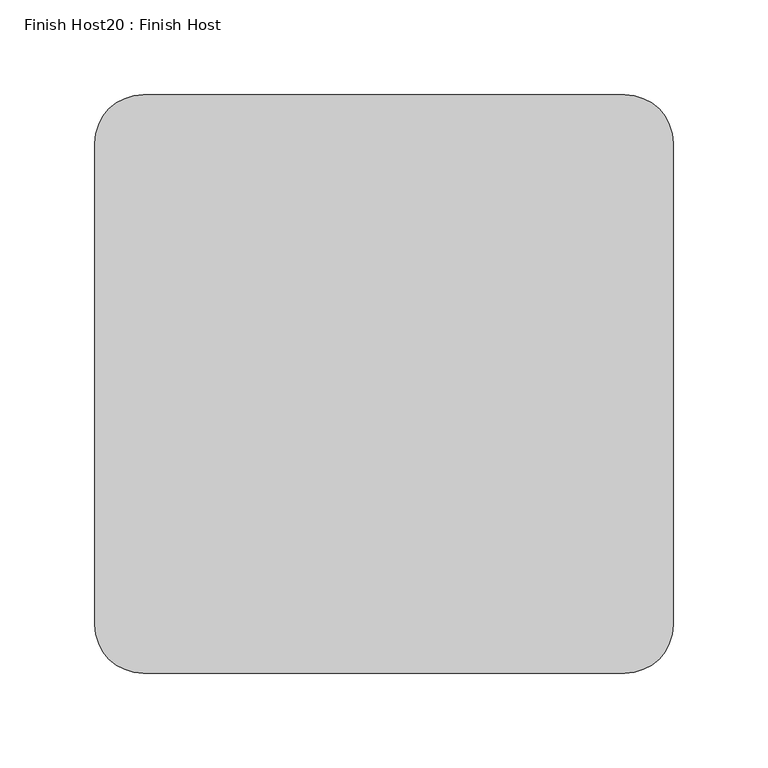
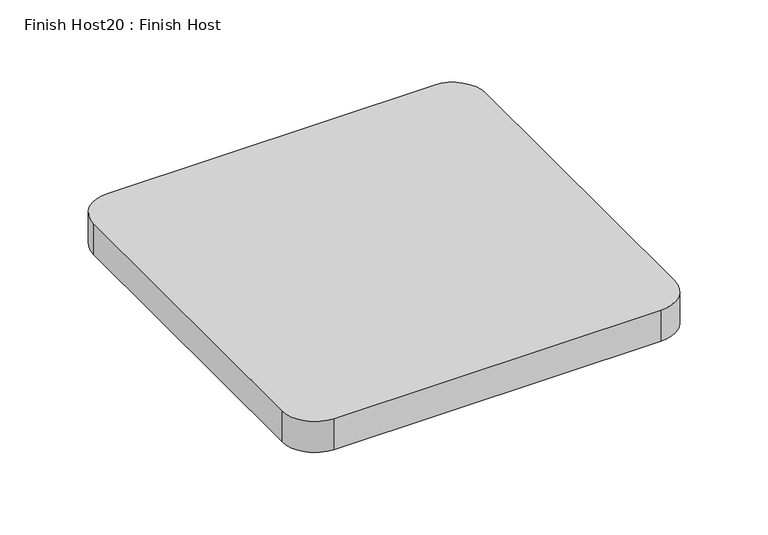
"""IFC4 building model written with IfcOpenShell, lengths in millimetres: proxy geometry, Finish Host20 : Finish Host."""

from ifc_helpers import new_model, si_unit, point, frame_2d, origin, origin_with_axes, place, context, project, spatial, polyline, circle_curve, trimmed, segment, composite_curve, outline, extrude, source, transform, mapped, element, save


def finish_host20_finish_host_48f22597(model_context):
    return source(origin(), model_context, "Body", "SweptSolid", [
        extrude(outline(composite_curve([segment(polyline([(1953.0934426, 2527.6122951), (1953.0934426, 2781.6122951)]), True, "CONTINUOUS"), segment(trimmed(circle_curve(frame_2d((1978.4934426, 2781.6122951)), 25.4), [point((1953.0934426, 2781.6122951))], [point((1978.4934426, 2807.0122951))], False, "CARTESIAN"), True, "CONTINUOUS"), segment(polyline([(1978.4934426, 2807.0122951), (2232.4934426, 2807.0122951)]), True, "CONTINUOUS"), segment(trimmed(circle_curve(frame_2d((2232.4934426, 2781.6122951)), 25.4), [point((2232.4934426, 2807.0122951))], [point((2257.8934426, 2781.6122951))], False, "CARTESIAN"), True, "CONTINUOUS"), segment(polyline([(2257.8934426, 2781.6122951), (2257.8934426, 2527.6122951)]), True, "CONTINUOUS"), segment(trimmed(circle_curve(frame_2d((2232.4934426, 2527.6122951)), 25.4), [point((2257.8934426, 2527.6122951))], [point((2232.4934426, 2502.2122951))], False, "CARTESIAN"), True, "CONTINUOUS"), segment(polyline([(2232.4934426, 2502.2122951), (1978.4934426, 2502.2122951)]), True, "CONTINUOUS"), segment(trimmed(circle_curve(frame_2d((1978.4934426, 2527.6122951)), 25.4), [point((1978.4934426, 2502.2122951))], [point((1953.0934426, 2527.6122951))], False, "CARTESIAN"), True, "CONTINUOUS")], self_intersect=False)), origin_with_axes(), (0.0, 0.0, 1.0), 25.4),
    ])


if __name__ == "__main__":
    model = new_model("IFC4")
    model_context = context("Model", 3, world=origin())
    ifc_project = project(units=[si_unit("LENGTHUNIT", "METRE", prefix="MILLI")], contexts=[model_context])
    site = spatial("IfcSite", under=ifc_project)
    building = spatial("IfcBuilding", under=site)
    placement = place(None, origin())
    finish_host20_finish_host_shape = finish_host20_finish_host_48f22597(model_context)
    element("IfcBuildingElementProxy", 1, Name="Finish Host20 : Finish Host", ObjectType="Finish Host20 : Finish Host", at=placement, inside=building, context=model_context, shape_type="MappedRepresentation", body=[
        mapped(finish_host20_finish_host_shape, transform((0.0, 0.0, 0.0), x_axis=(1.0, 0.0, 0.0), y_axis=(0.0, 1.0, 0.0), z_axis=(0.0, 0.0, 1.0))),
    ])
    save(model, "model.ifc")
